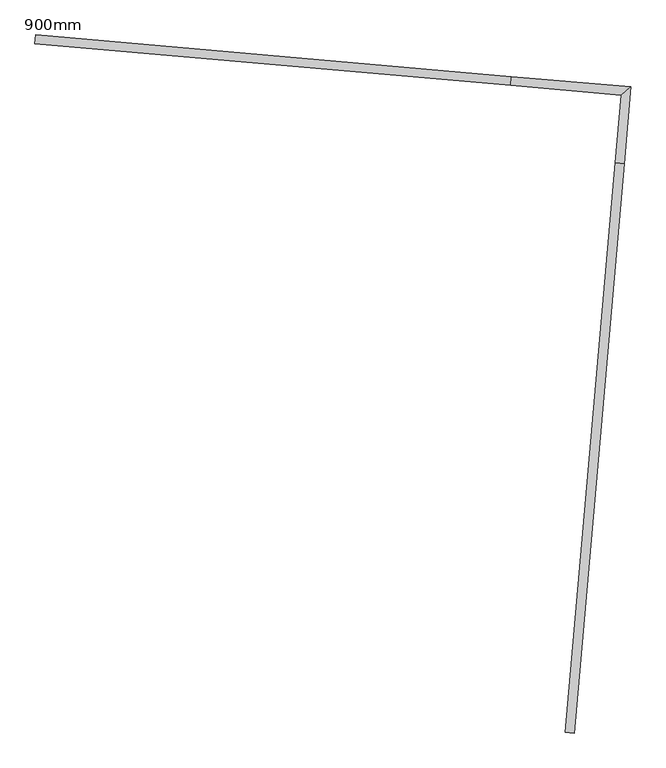
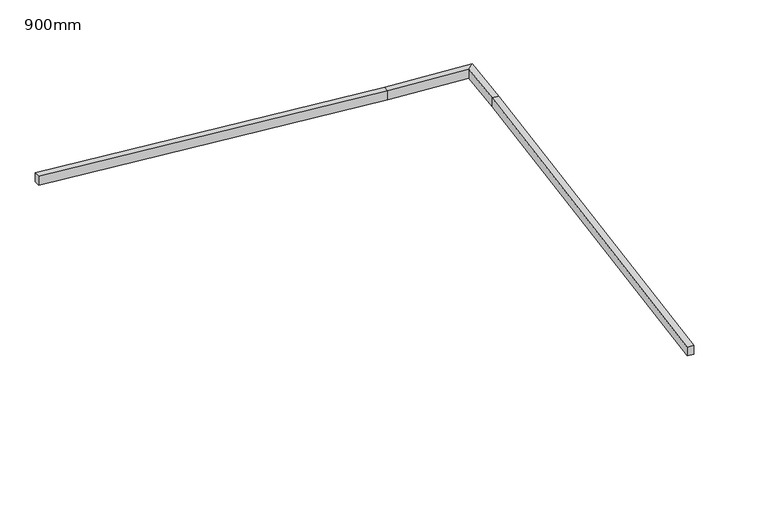
"""IFC4 building model written with IfcOpenShell, lengths in millimetres: railing geometry, 900mm."""

from ifc_helpers import new_model, si_unit, origin, place, context, project, spatial, faceted_brep, source, transform, mapped, element, save


def railing_900mm_acaa0a27(model_context):
    return source(origin(), model_context, "Body", "Brep", [
        faceted_brep([(13885.6352961, -8162.2790458, 750.0), (13885.6352961, -8162.2790458, 673.7757425), (13936.2419868, -8166.7065576, 673.7757425), (13936.2419868, -8166.7065576, 750.0), (14167.909276, -4935.8726922, 831.7277566), (14167.9930572, -4934.9150686, 755.5277566), (14218.5997478, -4939.3425803, 755.5277566), (14218.5159666, -4940.3002039, 831.7277566), (14201.4531571, -4552.4643766, 831.7277566), (14201.4531571, -4552.4643766, 755.5277566), (14256.4873595, -4506.2851977, 755.5277566), (14256.4873595, -4506.2851977, 831.7277566), (13575.3601669, -4497.6883377, 831.7277566), (13574.4025433, -4497.6045565, 755.5277566), (13578.8300551, -4446.9978658, 755.5277566), (13579.7876786, -4447.081647, 831.7277566), (10880.1436451, -4261.8874463, 900.0), (10884.5711568, -4211.2807556, 900.0), (10884.5711568, -4211.2807556, 823.7757425), (10880.1436451, -4261.8874463, 823.7757425)], [[[0, 1, 2, 3]], [[1, 0, 4, 5]], [[2, 1, 5, 6]], [[3, 2, 6, 7]], [[0, 3, 7, 4]], [[5, 4, 8, 9]], [[6, 5, 9, 10]], [[7, 6, 10, 11]], [[4, 7, 11, 8]], [[9, 8, 12, 13]], [[10, 9, 13, 14]], [[11, 10, 14, 15]], [[8, 11, 15, 12]], [[16, 17, 18, 19]], [[13, 12, 16, 19]], [[14, 13, 19, 18]], [[15, 14, 18, 17]], [[12, 15, 17, 16]]]),
    ])


if __name__ == "__main__":
    model = new_model("IFC4")
    model_context = context("Model", 3, world=origin())
    ifc_project = project(units=[si_unit("LENGTHUNIT", "METRE", prefix="MILLI")], contexts=[model_context])
    site = spatial("IfcSite", under=ifc_project)
    building = spatial("IfcBuilding", under=site)
    placement = place(None, origin())
    railing_900mm_shape = railing_900mm_acaa0a27(model_context)
    element("IfcRailing", 1, ObjectType="900mm", at=placement, inside=building, context=model_context, shape_type="MappedRepresentation", body=[
        mapped(railing_900mm_shape, transform((0.0, 0.0, 0.0), x_axis=(1.0, 0.0, 0.0), y_axis=(0.0, 1.0, 0.0), z_axis=(0.0, 0.0, 1.0))),
    ])
    save(model, "model.ifc")
